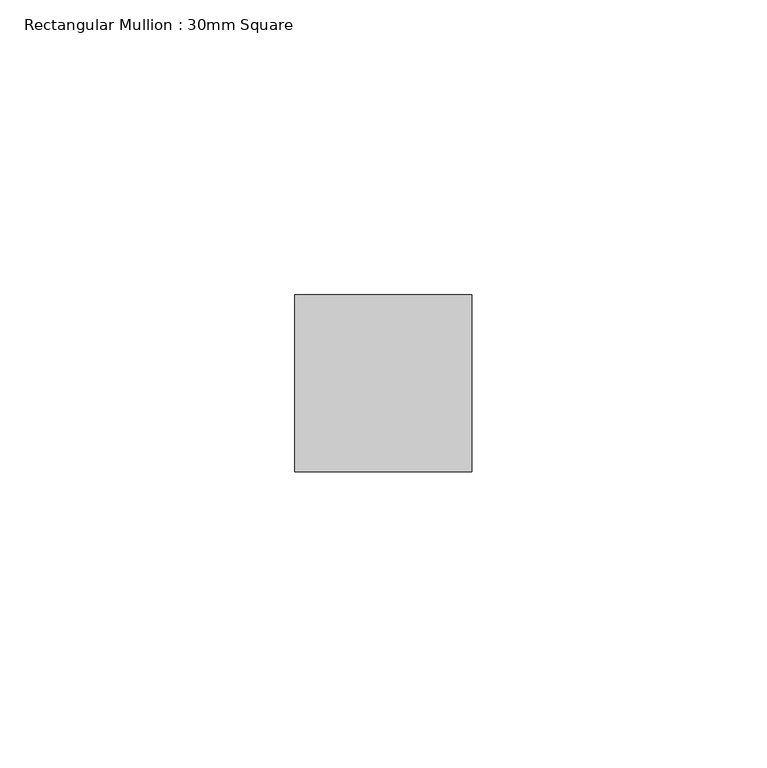
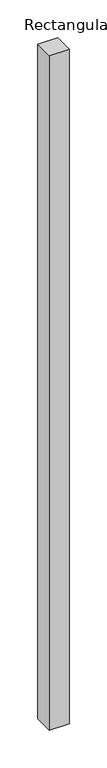
"""IFC4 building model written with IfcOpenShell, lengths in millimetres: member geometry, Rectangular Mullion : 30mm Square."""

from ifc_helpers import new_model, si_unit, frame, origin, place, context, project, spatial, polyline, outline, extrude, source, transform, mapped, element, save


def rectangular_mullion_30mm_square_78c742c9(model_context):
    return source(origin(), model_context, "Body", "SweptSolid", [
        extrude(outline(polyline([(0.0, 15.0), (0.0, -15.0), (-30.0, -15.0), (-30.0, 15.0), (0.0, 15.0)])), frame((0.0, 0.0, -1085.1026336), z_axis=(0.0, 0.0, 1.0), x_axis=(1.0, 0.0, 0.0)), (0.0, 0.0, 1.0), 1085.1026336),
    ])


if __name__ == "__main__":
    model = new_model("IFC4")
    model_context = context("Model", 3, world=origin())
    ifc_project = project(units=[si_unit("LENGTHUNIT", "METRE", prefix="MILLI")], contexts=[model_context])
    site = spatial("IfcSite", under=ifc_project)
    building = spatial("IfcBuilding", under=site)
    placement = place(None, origin())
    rectangular_mullion_30mm_square_shape = rectangular_mullion_30mm_square_78c742c9(model_context)
    element("IfcMember", 1, ObjectType="Rectangular Mullion : 30mm Square", at=placement, inside=building, context=model_context, shape_type="MappedRepresentation", body=[
        mapped(rectangular_mullion_30mm_square_shape, transform((0.0, 0.0, 0.0), x_axis=(1.0, 0.0, 0.0), y_axis=(0.0, 1.0, 0.0), z_axis=(0.0, 0.0, 1.0))),
    ])
    save(model, "model.ifc")
